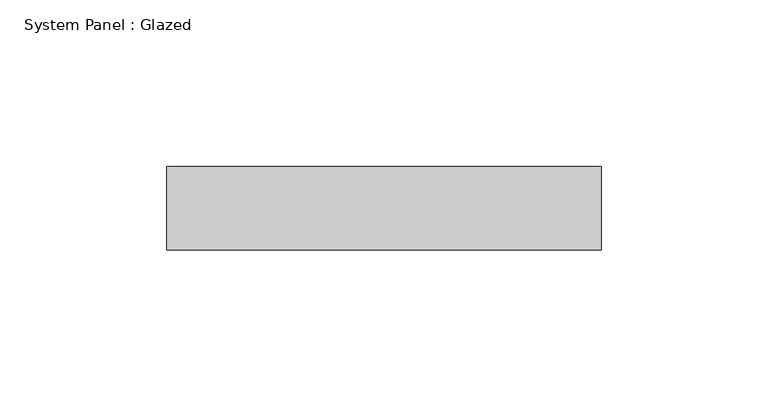
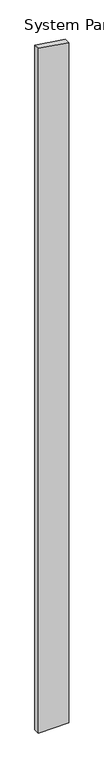
"""IFC4 building model written with IfcOpenShell, lengths in millimetres: plate geometry, System Panel : Glazed."""

from ifc_helpers import new_model, si_unit, frame, origin, place, context, project, spatial, polyline, outline, extrude, source, transform, mapped, element, save


def system_panel_glazed_85e9ed16(model_context):
    return source(origin(), model_context, "Body", "SweptSolid", [
        extrude(outline(polyline([(0.0, -65.0), (0.0, 65.0), (3067.6207084, 65.0), (3086.8662248, -65.0), (0.0, -65.0)])), frame((0.0, 24.5, 0.0), z_axis=(0.0, 1.0, 0.0), x_axis=(0.0, 0.0, 1.0)), (0.0, 0.0, 1.0), 25.0),
    ])


if __name__ == "__main__":
    model = new_model("IFC4")
    model_context = context("Model", 3, world=origin())
    ifc_project = project(units=[si_unit("LENGTHUNIT", "METRE", prefix="MILLI")], contexts=[model_context])
    site = spatial("IfcSite", under=ifc_project)
    building = spatial("IfcBuilding", under=site)
    placement = place(None, origin())
    system_panel_glazed_shape = system_panel_glazed_85e9ed16(model_context)
    element("IfcPlate", 1, ObjectType="System Panel : Glazed", at=placement, inside=building, context=model_context, shape_type="MappedRepresentation", body=[
        mapped(system_panel_glazed_shape, transform((0.0, 0.0, 0.0), x_axis=(1.0, 0.0, 0.0), y_axis=(0.0, 1.0, 0.0), z_axis=(0.0, 0.0, 1.0))),
    ])
    save(model, "model.ifc")
